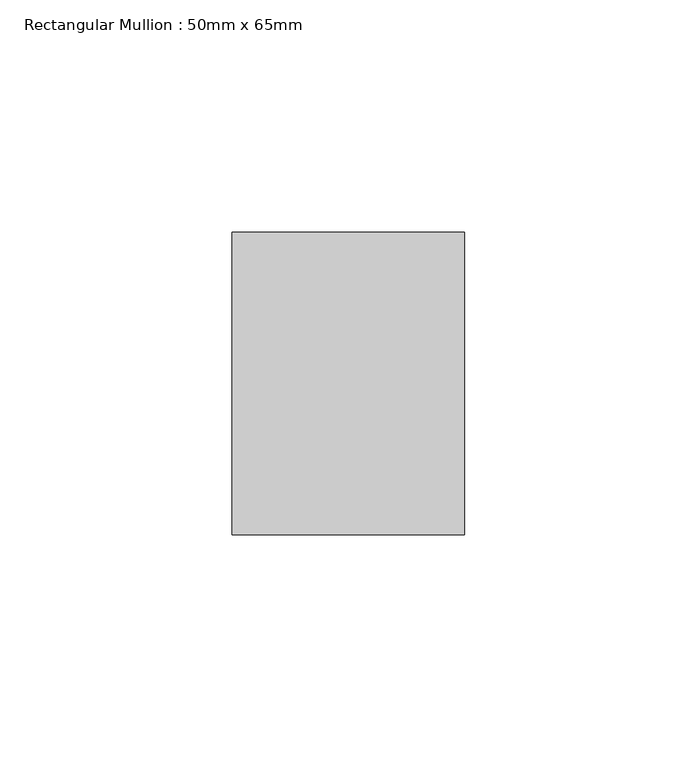
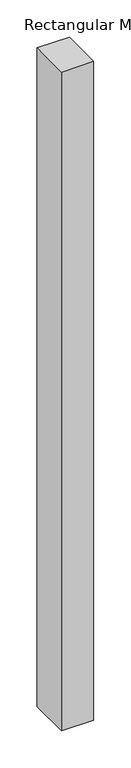
"""IFC4 building model written with IfcOpenShell, lengths in millimetres: member geometry, Rectangular Mullion : 50mm x 65mm."""

import ifcopenshell
import ifcopenshell.guid

model = None  # the IFC model being written
_history = None  # IfcOwnerHistory: only IFC2X3 demands one
_inside = {}  # id of a spatial element -> (the spatial element, [elements in it])
_under = {}  # id of a project, library or spatial element -> (it, [spatial elements below it])
_declared = {}  # id of a project -> (the project, [libraries it declares])
_typed = {}  # id of a type object -> (the type object, [elements of that type])
_made_of = {}  # id of a material, layer set ... -> (it, [elements and type objects made of it])


def new_model(schema):
    """Start an empty IFC model of exactly this schema.

    Asked for "IFC4X3", IfcOpenShell would pick the latest addendum, in which some entities
    have other attributes; the version numbers below select the first issue.
    IFC2X3 requires an IfcOwnerHistory on every rooted entity: one is made here for all.
    """
    global model, _history
    if schema == "IFC4X3":
        model = ifcopenshell.file(schema_version=(4, 3, 0, 0))
    else:
        model = ifcopenshell.file(schema=schema)
    _inside.clear()
    _under.clear()
    _declared.clear()
    _typed.clear()
    _made_of.clear()
    _history = None
    if model.schema == "IFC2X3":
        org = make("IfcOrganization", Name="unknown")
        user = make(
            "IfcPersonAndOrganization",
            ThePerson=make("IfcPerson", FamilyName="unknown"),
            TheOrganization=org,
        )
        app = make(
            "IfcApplication",
            ApplicationDeveloper=org,
            Version="unknown",
            ApplicationFullName="unknown",
            ApplicationIdentifier="unknown",
        )
        _history = make(
            "IfcOwnerHistory",
            OwningUser=user,
            OwningApplication=app,
            ChangeAction="ADDED",
            CreationDate=0,
        )
    return model


def make(cls, **values):
    """One entity of the class cls with the attributes given. An attribute that is None is left unset."""
    return model.create_entity(
        cls, **{name: value for name, value in values.items() if value is not None}
    )


def rooted(cls, **values):
    """An entity with a GlobalId (a new one), such as an element, a storey or a relation."""
    return make(cls, GlobalId=ifcopenshell.guid.new(), OwnerHistory=_history, **values)


def si_unit(unit_type, name, prefix=None):
    """IfcSIUnit, for example si_unit("LENGTHUNIT", "METRE", prefix="MILLI")."""
    return make("IfcSIUnit", UnitType=unit_type, Prefix=prefix, Name=name)


def assignment(units):
    """IfcUnitAssignment: the units of a project."""
    return None if units is None else make("IfcUnitAssignment", Units=units)


def point(xyz):
    """IfcCartesianPoint."""
    return None if xyz is None else make("IfcCartesianPoint", Coordinates=xyz)


def direction(xyz):
    """IfcDirection."""
    return None if xyz is None else make("IfcDirection", DirectionRatios=xyz)


def frame(location, z_axis=None, x_axis=None):
    """IfcAxis2Placement3D, a coordinate frame: its origin and axes. An axis left out is left unset."""
    return make(
        "IfcAxis2Placement3D",
        Location=point(location),
        Axis=direction(z_axis),
        RefDirection=direction(x_axis),
    )


def origin():
    """The frame at (0, 0, 0) with its axes left unset."""
    return frame((0.0, 0.0, 0.0))


def place(relative_to, where):
    """IfcLocalPlacement: puts the frame where relative to a parent placement (None: the world)."""
    return make(
        "IfcLocalPlacement", PlacementRelTo=relative_to, RelativePlacement=where
    )


def context(
    kind, dimensions, precision=None, world=None, true_north=None, identifier=None
):
    """IfcGeometricRepresentationContext, for example the 3D "Model" context."""
    return make(
        "IfcGeometricRepresentationContext",
        ContextIdentifier=identifier,
        ContextType=kind,
        CoordinateSpaceDimension=dimensions,
        Precision=precision,
        WorldCoordinateSystem=world,
        TrueNorth=true_north,
    )


def project(units=None, contexts=None):
    """IfcProject with its units and contexts."""
    return rooted(
        "IfcProject",
        Name="project",
        RepresentationContexts=contexts,
        UnitsInContext=assignment(units),
    )


def spatial(cls, under=None, at=None, **own):
    """A site, building, storey or space (cls), placed at a placement, below another one or the project."""
    s = rooted(cls, ObjectPlacement=at, **own)
    if under is not None:
        _under.setdefault(under.id(), (under, []))[1].append(s)
    return s


def polyline(points):
    """IfcPolyline through the points."""
    return make("IfcPolyline", Points=[point(p) for p in points])


def outline(outer, holes=None, kind="AREA"):
    """IfcArbitraryClosedProfileDef: a profile drawn as a closed curve; with holes, ...WithVoids."""
    if holes is None:
        return make("IfcArbitraryClosedProfileDef", ProfileType=kind, OuterCurve=outer)
    return make(
        "IfcArbitraryProfileDefWithVoids",
        ProfileType=kind,
        OuterCurve=outer,
        InnerCurves=holes,
    )


def extrude(swept, where, along, depth):
    """IfcExtrudedAreaSolid: the profile swept, set in the frame where, extruded along a direction by depth."""
    return make(
        "IfcExtrudedAreaSolid",
        SweptArea=swept,
        Position=where,
        ExtrudedDirection=direction(along),
        Depth=depth,
    )


def shape(context_of_items, identifier, shape_type, items):
    """IfcShapeRepresentation: the items that make up one representation, for example the "Body"."""
    return make(
        "IfcShapeRepresentation",
        ContextOfItems=context_of_items,
        RepresentationIdentifier=identifier,
        RepresentationType=shape_type,
        Items=items,
    )


def source(mapping_origin, context_of_items, identifier, shape_type, items):
    """IfcRepresentationMap: a shape defined once, which mapped items show again and again."""
    return make(
        "IfcRepresentationMap",
        MappingOrigin=mapping_origin,
        MappedRepresentation=shape(context_of_items, identifier, shape_type, items),
    )


def transform(
    local_origin,
    x_axis=None,
    y_axis=None,
    z_axis=None,
    scale=None,
    scale2=None,
    scale3=None,
    uniform=True,
):
    """IfcCartesianTransformationOperator3D, or its non-uniform kind. x_axis, y_axis, z_axis: its Axis1, 2, 3."""
    if uniform:
        return make(
            "IfcCartesianTransformationOperator3D",
            Axis1=direction(x_axis),
            Axis2=direction(y_axis),
            LocalOrigin=point(local_origin),
            Scale=scale,
            Axis3=direction(z_axis),
        )
    return make(
        "IfcCartesianTransformationOperator3DnonUniform",
        Axis1=direction(x_axis),
        Axis2=direction(y_axis),
        LocalOrigin=point(local_origin),
        Scale=scale,
        Axis3=direction(z_axis),
        Scale2=scale2,
        Scale3=scale3,
    )


def mapped(mapping_source, mapping_target):
    """IfcMappedItem: shows the shape of a source again, moved by a transform."""
    return make(
        "IfcMappedItem", MappingSource=mapping_source, MappingTarget=mapping_target
    )


def made_of(thing, what):
    """Note that an element or type object is made of a material, layer set ...; save() writes the relation."""
    if what is not None:
        _made_of.setdefault(what.id(), (what, []))[1].append(thing)
    return thing


def element(
    cls,
    number,
    at=None,
    inside=None,
    cuts=None,
    type_object=None,
    material=None,
    context=None,
    identifier="Body",
    shape_type=None,
    held_by="IfcProductDefinitionShape",
    body=None,
    shapes=None,
    **own,
):
    """One element of the class cls, such as IfcWall. Its Tag is "e" and its number.

    at: its placement. inside: the storey or other place that contains it. cuts: it is an
    opening in that element (IfcRelVoidsElement). A single representation is given by context,
    identifier, shape_type and body (its items); several are given by shapes. held_by: the class
    of the entity that holds the representations. save() writes the other relations.
    """
    e = rooted(cls, Tag="e%d" % number, ObjectPlacement=at, **own)
    if body is not None:
        shapes = [shape(context, identifier, shape_type, body)]
    if shapes is not None:
        e.Representation = make(held_by, Representations=shapes)
    if inside is not None:
        _inside.setdefault(inside.id(), (inside, []))[1].append(e)
    if cuts is not None:
        rooted(
            "IfcRelVoidsElement", RelatingBuildingElement=cuts, RelatedOpeningElement=e
        )
    if type_object is not None:
        _typed.setdefault(type_object.id(), (type_object, []))[1].append(e)
    return made_of(e, material)


def aggregate(whole, parts):
    """IfcRelAggregates: a whole, such as a stair, and the parts it consists of."""
    return rooted("IfcRelAggregates", RelatingObject=whole, RelatedObjects=parts)


def save(model, path):
    """Write the relations noted so far, then the file.

    IfcRelAggregates (storeys below a building ...), IfcRelContainedInSpatialStructure (elements
    in a storey), IfcRelDefinesByType, IfcRelAssociatesMaterial and IfcRelDeclares: one each for
    every whole, place, type object, material and project.
    """
    for whole, parts in _under.values():
        aggregate(whole, parts)
    for where, things in _inside.values():
        rooted(
            "IfcRelContainedInSpatialStructure",
            RelatedElements=things,
            RelatingStructure=where,
        )
    for kind, things in _typed.values():
        rooted("IfcRelDefinesByType", RelatedObjects=things, RelatingType=kind)
    for what, things in _made_of.values():
        rooted("IfcRelAssociatesMaterial", RelatedObjects=things, RelatingMaterial=what)
    for by, libraries in _declared.values():
        rooted("IfcRelDeclares", RelatingContext=by, RelatedDefinitions=libraries)
    model.write(path)


def rectangular_mullion_50mm_x_65mm_a6f7ac8f(model_context):
    return source(origin(), model_context, "Body", "SweptSolid", [
        extrude(outline(polyline([(25.0, 32.5), (25.0, -32.5), (-25.0, -32.5), (-25.0, 32.5), (25.0, 32.5)])), frame((0.0, 0.0, -1078.0446612), z_axis=(0.0, 0.0, 1.0), x_axis=(1.0, 0.0, 0.0)), (0.0, 0.0, 1.0), 1078.0446612),
    ])


if __name__ == "__main__":
    model = new_model("IFC4")
    model_context = context("Model", 3, world=origin())
    ifc_project = project(units=[si_unit("LENGTHUNIT", "METRE", prefix="MILLI")], contexts=[model_context])
    site = spatial("IfcSite", under=ifc_project)
    building = spatial("IfcBuilding", under=site)
    placement = place(None, origin())
    rectangular_mullion_50mm_x_65mm_shape = rectangular_mullion_50mm_x_65mm_a6f7ac8f(model_context)
    element("IfcMember", 1, ObjectType="Rectangular Mullion : 50mm x 65mm", at=placement, inside=building, context=model_context, shape_type="MappedRepresentation", body=[
        mapped(rectangular_mullion_50mm_x_65mm_shape, transform((0.0, 0.0, 0.0), x_axis=(1.0, 0.0, 0.0), y_axis=(0.0, 1.0, 0.0), z_axis=(0.0, 0.0, 1.0))),
    ])
    save(model, "model.ifc")
